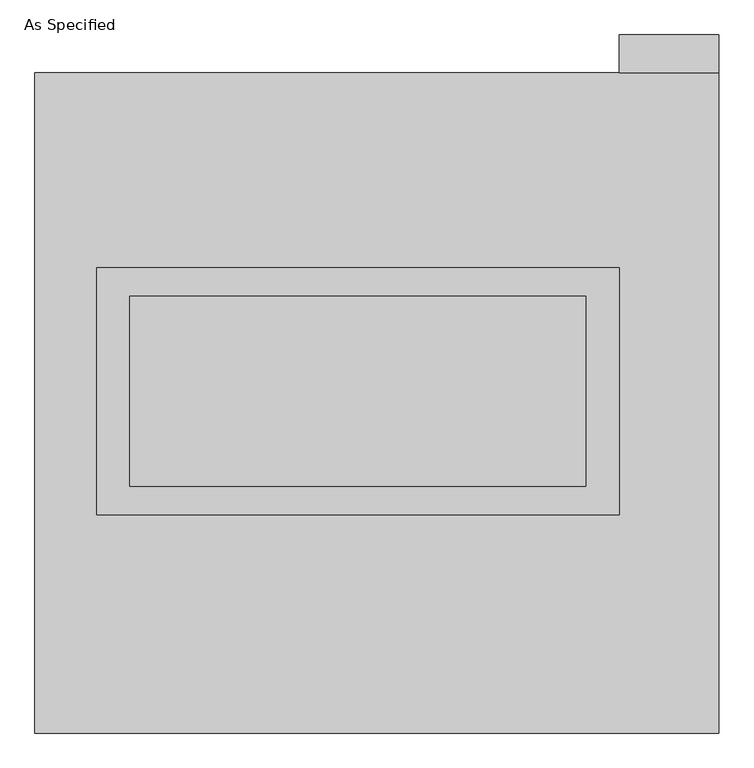
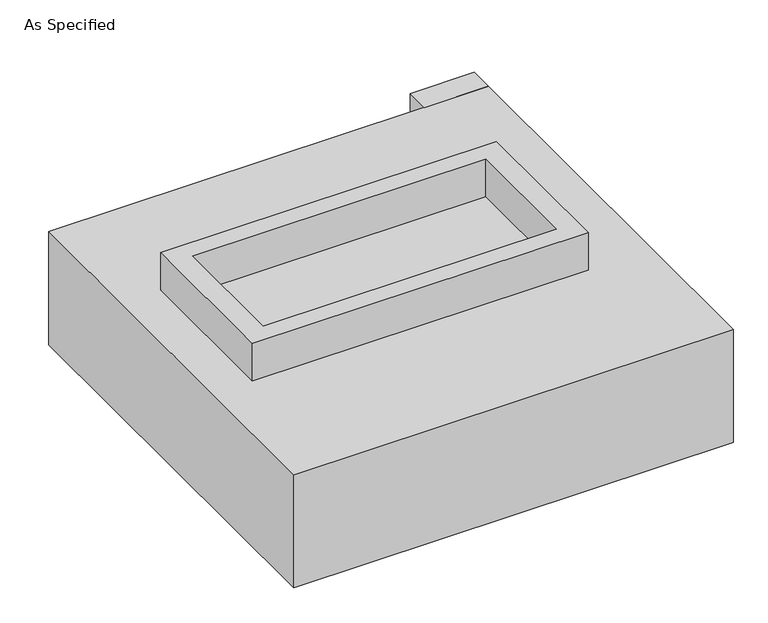
"""IFC4 building model written with IfcOpenShell, lengths in millimetres: proxy geometry, As Specified."""

from ifc_helpers import new_model, si_unit, frame, origin, place, context, project, spatial, polyline, outline, extrude, faceted_brep, source, transform, mapped, element, save


def as_specified_e00df4e6(model_context):
    return source(origin(), model_context, "Body", "SolidModel", [
        extrude(outline(polyline([(698.5, 361.95), (698.5, -298.45), (-698.5, -298.45), (-698.5, 361.95), (698.5, 361.95)]), holes=[polyline([(609.6, 285.75), (-609.6, 285.75), (-609.6, -222.25), (609.6, -222.25), (609.6, 285.75)])]), frame((0.0, 0.0, -25.4), z_axis=(0.0, 0.0, 1.0), x_axis=(1.0, 0.0, 0.0)), (0.0, 0.0, 1.0), 165.1),
        extrude(outline(polyline([(698.5, 882.65), (698.5, 984.25), (965.2, 984.25), (965.2, 882.65), (698.5, 882.65)])), frame((0.0, 0.0, -523.875), z_axis=(0.0, 0.0, 1.0), x_axis=(1.0, 0.0, 0.0)), (0.0, 0.0, 1.0), 498.475),
        extrude(outline(polyline([(609.6, 285.75), (609.6, -222.25), (-609.6, -222.25), (-609.6, 285.75), (609.6, 285.75)])), frame((0.0, 0.0, -30.3609375), z_axis=(0.0, 0.0, 1.0), x_axis=(1.0, 0.0, 0.0)), (0.0, 0.0, 1.0), 4.9609375),
        faceted_brep([(965.2, -882.65, -523.875), (-863.6, -882.65, -523.875), (-863.6, 882.65, -523.875), (965.2, 882.65, -523.875), (965.2, 882.65, -25.4), (-863.6, 882.65, -25.4), (-863.6, -882.65, -25.4), (965.2, -882.65, -25.4), (698.5, 361.95, -25.4), (698.5, -298.45, -25.4), (-698.5, -298.45, -25.4), (-698.5, 361.95, -25.4), (698.5, 361.95, -498.475), (-698.5, 361.95, -498.475), (-698.5, -298.45, -498.475), (698.5, -298.45, -498.475)], [[[0, 1, 2, 3]], [[4, 5, 6, 7], [8, 9, 10, 11]], [[3, 2, 5, 4]], [[2, 1, 6, 5]], [[0, 3, 4, 7]], [[12, 13, 14, 15]], [[14, 13, 11, 10]], [[13, 12, 8, 11]], [[12, 15, 9, 8]], [[10, 9, 15, 14]], [[1, 0, 7, 6]]]),
    ])


if __name__ == "__main__":
    model = new_model("IFC4")
    model_context = context("Model", 3, world=origin())
    ifc_project = project(units=[si_unit("LENGTHUNIT", "METRE", prefix="MILLI")], contexts=[model_context])
    site = spatial("IfcSite", under=ifc_project)
    building = spatial("IfcBuilding", under=site)
    placement = place(None, origin())
    as_specified_shape = as_specified_e00df4e6(model_context)
    element("IfcBuildingElementProxy", 1, Name="As Specified", ObjectType="As Specified", at=placement, inside=building, context=model_context, shape_type="MappedRepresentation", body=[
        mapped(as_specified_shape, transform((0.0, 0.0, 0.0), x_axis=(1.0, 0.0, 0.0), y_axis=(0.0, 1.0, 0.0), z_axis=(0.0, 0.0, 1.0))),
    ])
    save(model, "model.ifc")
